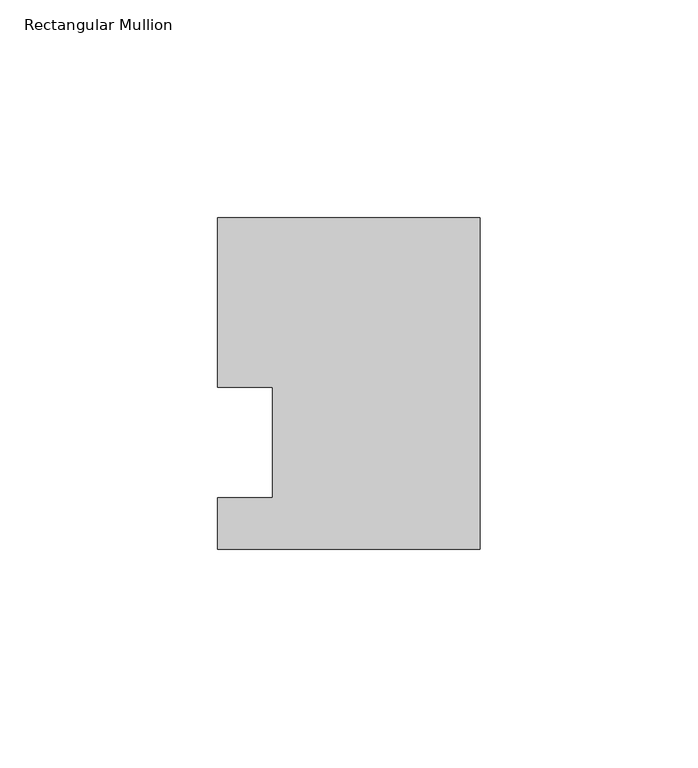
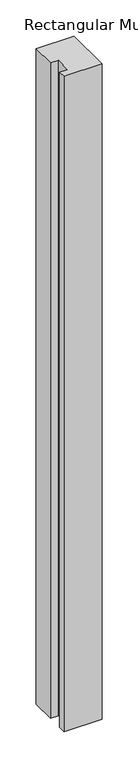
"""IFC4 building model written with IfcOpenShell, lengths in millimetres: member geometry, Rectangular Mullion."""

from ifc_helpers import new_model, si_unit, frame, origin, place, context, project, spatial, polyline, outline, extrude, source, transform, mapped, element, save


def rectangular_mullion_bff9c2c5(model_context):
    return source(origin(), model_context, "Body", "SweptSolid", [
        extrude(outline(polyline([(-60.325, 51.59375), (0.0, 51.59375), (0.0, -24.60625), (-60.325, -24.60625), (-60.325, -12.7), (-47.625, -12.7), (-47.625, 12.7), (-60.325, 12.7), (-60.325, 51.59375)])), frame((0.0, 0.0, -1099.7094027), z_axis=(0.0, 0.0, 1.0), x_axis=(1.0, 0.0, 0.0)), (0.0, 0.0, 1.0), 1099.7094027),
    ])


if __name__ == "__main__":
    model = new_model("IFC4")
    model_context = context("Model", 3, world=origin())
    ifc_project = project(units=[si_unit("LENGTHUNIT", "METRE", prefix="MILLI")], contexts=[model_context])
    site = spatial("IfcSite", under=ifc_project)
    building = spatial("IfcBuilding", under=site)
    placement = place(None, origin())
    rectangular_mullion_shape = rectangular_mullion_bff9c2c5(model_context)
    element("IfcMember", 1, ObjectType="Rectangular Mullion", at=placement, inside=building, context=model_context, shape_type="MappedRepresentation", body=[
        mapped(rectangular_mullion_shape, transform((0.0, 0.0, 0.0), x_axis=(1.0, 0.0, 0.0), y_axis=(0.0, 1.0, 0.0), z_axis=(0.0, 0.0, 1.0))),
    ])
    save(model, "model.ifc")
